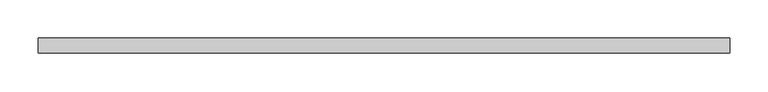
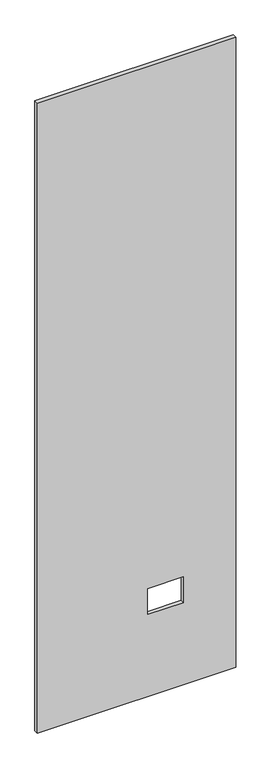
"""IFC4 building model written with IfcOpenShell, lengths in millimetres: proxy geometry."""

from ifc_helpers import new_model, si_unit, frame, origin, place, context, project, spatial, polyline, outline, extrude, source, transform, mapped, element, save


def specialty_equipment_88e34679(model_context):
    return source(origin(), model_context, "Body", "SweptSolid", [
        extrude(outline(polyline([(3016.25, -448.9704), (3.175, -448.9704), (3.175, 448.9704), (3016.25, 448.9704), (3016.25, -448.9704)]), holes=[polyline([(395.4526, 211.8868), (395.4526, 51.3588), (518.9474, 51.3588), (518.9474, 211.8868), (395.4526, 211.8868)])]), frame((0.0, -9.525, 0.0), z_axis=(0.0, 1.0, 0.0), x_axis=(0.0, 0.0, 1.0)), (0.0, 0.0, 1.0), 19.05),
    ])


if __name__ == "__main__":
    model = new_model("IFC4")
    model_context = context("Model", 3, world=origin())
    ifc_project = project(units=[si_unit("LENGTHUNIT", "METRE", prefix="MILLI")], contexts=[model_context])
    site = spatial("IfcSite", under=ifc_project)
    building = spatial("IfcBuilding", under=site)
    placement = place(None, origin())
    specialty_equipment_shape = specialty_equipment_88e34679(model_context)
    element("IfcBuildingElementProxy", 1, Name="Specialty Equipment", at=placement, inside=building, context=model_context, shape_type="MappedRepresentation", body=[
        mapped(specialty_equipment_shape, transform((0.0, 0.0, 0.0), x_axis=(1.0, 0.0, 0.0), y_axis=(0.0, 1.0, 0.0), z_axis=(0.0, 0.0, 1.0))),
    ])
    save(model, "model.ifc")
